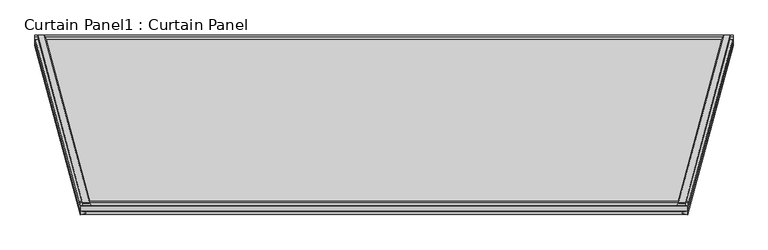
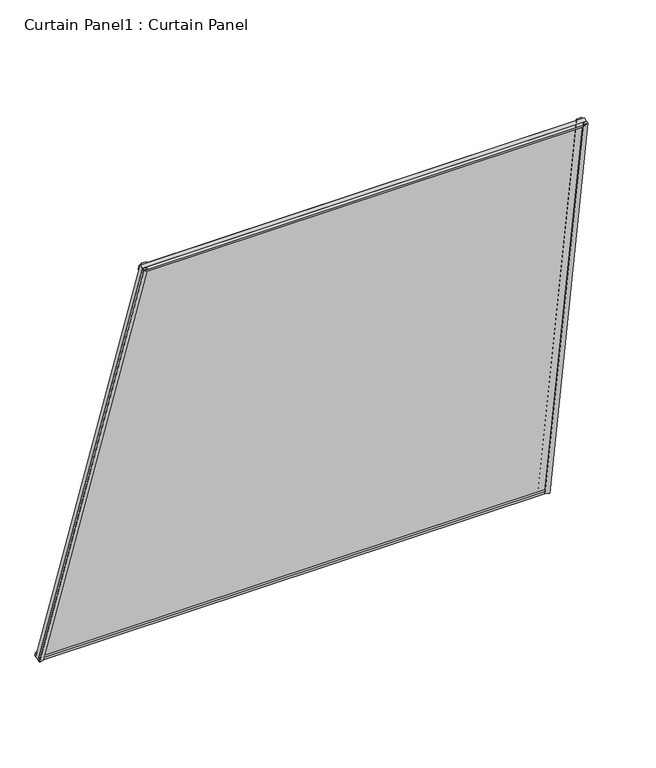
"""IFC4 building model written with IfcOpenShell, lengths in millimetres: plate geometry, Curtain Panel1 : Curtain Panel."""

from ifc_helpers import new_model, si_unit, frame, origin, place, context, project, spatial, polyline, outline, extrude, source, transform, mapped, element, save


def curtain_panel1_curtain_panel_487d3df8(model_context):
    return source(origin(), model_context, "Body", "SweptSolid", [
        extrude(outline(polyline([(22.2919093, -5.9169736), (22.300702, -21.0371164), (17.5121094, -24.1270367), (17.5121094, -5.9197532), (22.2919093, -5.9169736)])), frame((-12976.5747277, -10774.0374218, 980.3279056), z_axis=(0.06698729810776308, -0.25000000000000056, 0.9659258262890694), x_axis=(0.0, 0.9681003458863748, 0.25056280708573164)), (0.0, 0.0, 1.0), 1495.7622625),
        extrude(outline(polyline([(-1.6246791, -0.0480268), (4.7128906, -0.0480268), (4.7128906, -11.5262179), (-0.070259, -12.7641881), (-3.2524065, -0.4693137), (-1.6246791, -0.0480268)])), frame((-12976.5747277, -10774.0374218, 980.3279056), z_axis=(0.06698729810776308, -0.25000000000000056, 0.9659258262890694), x_axis=(0.0, 0.9681003458863748, 0.25056280708573164)), (0.0, 0.0, 1.0), 1495.7622625),
        extrude(outline(polyline([(22.279479, 5.8689468), (17.5015261, 5.8717253), (17.5121093, 24.070989), (22.2882718, 20.9890896), (22.279479, 5.8689468)])), frame((-11431.8101586, -10774.0374218, 980.3279056), z_axis=(-0.0669872981077613, -0.2500000000000003, 0.9659258262890695), x_axis=(0.0, 0.9681003458863747, 0.25056280708573175)), (0.0, 0.0, 1.0), 1495.7622624),
        extrude(outline(polyline([(-1.6371094, 0.0), (-3.2648369, 0.4212868), (-0.0826892, 12.7161612), (4.7128906, 11.4749739), (4.7128906, 0.0), (-1.6371094, 0.0)])), frame((-11431.8101586, -10774.0374218, 980.3279056), z_axis=(-0.0669872981077613, -0.2500000000000003, 0.9659258262890695), x_axis=(0.0, 0.9681003458863747, 0.25056280708573175)), (0.0, 0.0, 1.0), 1495.7622624),
        extrude(outline(polyline([(-10769.5123347, 981.6535301), (-10774.1709394, 980.4477945), (-10776.7613338, 990.4563096), (-10772.409156, 992.8459883), (-10769.5123347, 981.6535301)])), frame((-12976.554652, 0.0, 0.0), z_axis=(1.0, 0.0, 0.0), x_axis=(0.0, 1.0, 0.0)), (0.0, 0.0, 1.0), 1544.7244167),
        extrude(outline(polyline([(-10761.3675939, 1001.266546), (-10755.526143, 998.1276799), (-10752.4080867, 986.0804352), (-10757.1214066, 984.8605383), (-10761.3675939, 1001.266546)])), frame((-12976.554652, 0.0, 0.0), z_axis=(1.0, 0.0, 0.0), x_axis=(0.0, 1.0, 0.0)), (0.0, 0.0, 1.0), 1544.7244167),
        extrude(outline(polyline([(-11143.4684604, 2426.5090491), (-11139.9932741, 2413.0819603), (-11145.050764, 2412.888387), (-11150.4444981, 2422.6159466), (-11143.4684604, 2426.5090491)])), frame((-12876.3575622, 0.0, 0.0), z_axis=(1.0, 0.0, 0.0), x_axis=(0.0, 1.0, 0.0)), (0.0, 0.0, 1.0), 1344.3302369),
        extrude(outline(polyline([(-11121.0379676, 2409.5012467), (-11124.9744692, 2406.1356323), (-11130.0358319, 2425.6912358), (-11125.0712256, 2425.6687719), (-11121.0379676, 2409.5012467)])), frame((-12876.3575622, 0.0, 0.0), z_axis=(1.0, 0.0, 0.0), x_axis=(0.0, 1.0, 0.0)), (0.0, 0.0, 1.0), 1344.3302369),
        extrude(outline(polyline([(-69.20151, 0.0), (-172.6797698, -1541.274731), (-1655.0181699, -1341.3307055), (-1564.9637724, 0.0), (-69.20151, 0.0)])), frame((-12981.2003115, -10752.2119572, 914.8100044), z_axis=(0.0, 0.9681003458863748, 0.2505628070857317), x_axis=(-0.06698729810776316, 0.2500000000000006, -0.9659258262890694)), (0.0, 0.0, 1.0), 12.7992188),
    ])


if __name__ == "__main__":
    model = new_model("IFC4")
    model_context = context("Model", 3, world=origin())
    ifc_project = project(units=[si_unit("LENGTHUNIT", "METRE", prefix="MILLI")], contexts=[model_context])
    site = spatial("IfcSite", under=ifc_project)
    building = spatial("IfcBuilding", under=site)
    placement = place(None, origin())
    curtain_panel1_curtain_panel_shape = curtain_panel1_curtain_panel_487d3df8(model_context)
    element("IfcPlate", 1, ObjectType="Curtain Panel1 : Curtain Panel", at=placement, inside=building, context=model_context, shape_type="MappedRepresentation", body=[
        mapped(curtain_panel1_curtain_panel_shape, transform((0.0, 0.0, 0.0), x_axis=(1.0, 0.0, 0.0), y_axis=(0.0, 1.0, 0.0), z_axis=(0.0, 0.0, 1.0))),
    ])
    save(model, "model.ifc")
